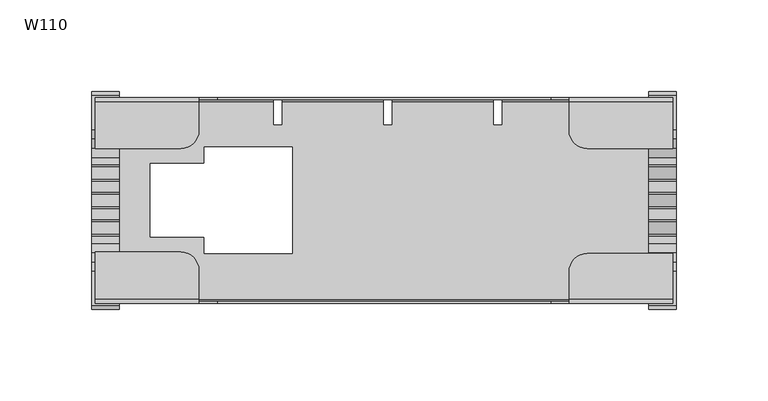
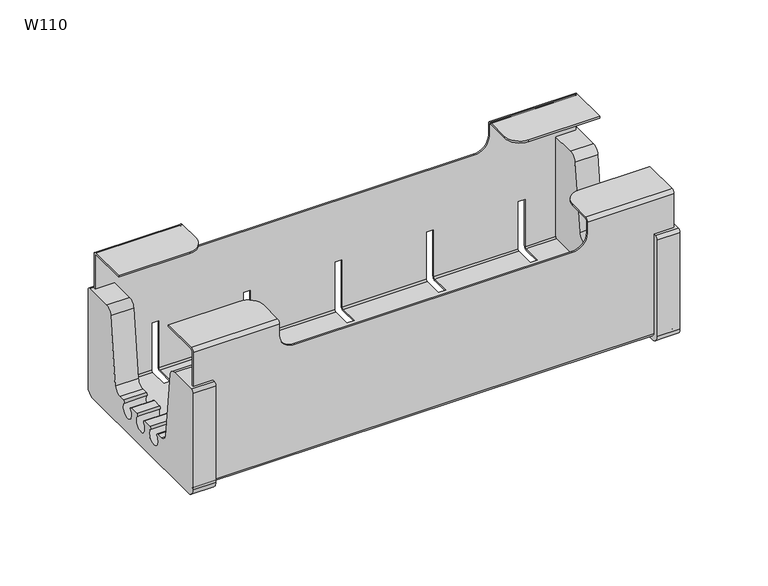
"""IFC4 building model written with IfcOpenShell, lengths in millimetres: furniture geometry, W110."""

from ifc_helpers import new_model, si_unit, point, frame, frame_2d, origin, place, context, project, spatial, polyline, circle_curve, trimmed, segment, composite_curve, outline, extrude, source, transform, mapped, element, save
from ifc_brep_helpers import plane_surface, cylinder_surface, revolved_surface, advanced_brep


def w110_b5251fee(model_context):
    return source(origin(), model_context, "Body", "SolidModel", [
        extrude(outline(composite_curve([segment(trimmed(circle_curve(frame_2d((-38.7033626, 66.0)), 5.0), [point((-38.7033626, 71.0))], [point((-33.7366705, 66.5761676))], False, "CARTESIAN"), True, "CONTINUOUS"), segment(polyline([(-33.7366705, 66.5761676), (-28.4523121, 21.0238324)]), True, "CONTINUOUS"), segment(trimmed(circle_curve(frame_2d((-23.48562, 21.6)), 5.0), [point((-28.4523121, 21.0238324))], [point((-23.48562, 16.6))], True, "CARTESIAN"), True, "CONTINUOUS"), segment(polyline([(-23.48562, 16.6), (-19.5, 16.6)]), True, "CONTINUOUS"), segment(trimmed(circle_curve(frame_2d((-19.5, 15.6)), 1.0), [point((-19.5, 16.6))], [point((-18.75, 14.9385622))], False, "CARTESIAN"), True, "CONTINUOUS"), segment(trimmed(circle_curve(frame_2d((-15.0, 11.631373)), 5.0), [point((-18.75, 14.9385622))], [point((-11.25, 14.9385622))], True, "CARTESIAN"), True, "CONTINUOUS"), segment(trimmed(circle_curve(frame_2d((-10.5, 15.6)), 1.0), [point((-11.25, 14.9385622))], [point((-10.5, 16.6))], False, "CARTESIAN"), True, "CONTINUOUS"), segment(polyline([(-10.5, 16.6), (-4.5, 16.6)]), True, "CONTINUOUS"), segment(trimmed(circle_curve(frame_2d((-4.5, 15.6)), 1.0), [point((-4.5, 16.6))], [point((-3.75, 14.9385622))], False, "CARTESIAN"), True, "CONTINUOUS"), segment(trimmed(circle_curve(frame_2d((0.0, 11.631373)), 5.0), [point((-3.75, 14.9385622))], [point((3.75, 14.9385622))], True, "CARTESIAN"), True, "CONTINUOUS"), segment(trimmed(circle_curve(frame_2d((4.5, 15.6)), 1.0), [point((3.75, 14.9385622))], [point((4.5, 16.6))], False, "CARTESIAN"), True, "CONTINUOUS"), segment(polyline([(4.5, 16.6), (10.5, 16.6)]), True, "CONTINUOUS"), segment(trimmed(circle_curve(frame_2d((10.5, 15.6)), 1.0), [point((10.5, 16.6))], [point((11.25, 14.9385622))], False, "CARTESIAN"), True, "CONTINUOUS"), segment(trimmed(circle_curve(frame_2d((15.0, 11.631373)), 5.0), [point((11.25, 14.9385622))], [point((18.75, 14.9385622))], True, "CARTESIAN"), True, "CONTINUOUS"), segment(trimmed(circle_curve(frame_2d((19.5, 15.6)), 1.0), [point((18.75, 14.9385622))], [point((19.5, 16.6))], False, "CARTESIAN"), True, "CONTINUOUS"), segment(polyline([(19.5, 16.6), (23.48562, 16.6)]), True, "CONTINUOUS"), segment(trimmed(circle_curve(frame_2d((23.48562, 21.6)), 5.0), [point((23.48562, 16.6))], [point((28.4523121, 21.0238324))], True, "CARTESIAN"), True, "CONTINUOUS"), segment(polyline([(28.4523121, 21.0238324), (33.7366705, 66.5761676)]), True, "CONTINUOUS"), segment(trimmed(circle_curve(frame_2d((38.7033626, 66.0)), 5.0), [point((33.7366705, 66.5761676))], [point((38.7033626, 71.0))], False, "CARTESIAN"), True, "CONTINUOUS"), segment(polyline([(38.7033626, 71.0), (57.45, 71.0)]), True, "CONTINUOUS"), segment(trimmed(circle_curve(frame_2d((57.45, 69.0)), 2.0), [point((57.45, 71.0))], [point((59.45, 69.0))], False, "CARTESIAN"), True, "CONTINUOUS"), segment(polyline([(59.45, 69.0), (59.45, 2.2)]), True, "CONTINUOUS"), segment(trimmed(circle_curve(frame_2d((54.05, 2.2)), 5.4), [point((59.45, 2.2))], [point((54.05, -3.2))], False, "CARTESIAN"), True, "CONTINUOUS"), segment(polyline([(54.05, -3.2), (-54.05, -3.2)]), True, "CONTINUOUS"), segment(trimmed(circle_curve(frame_2d((-54.05, 2.2)), 5.4), [point((-54.05, -3.2))], [point((-59.45, 2.2))], False, "CARTESIAN"), True, "CONTINUOUS"), segment(polyline([(-59.45, 2.2), (-59.45, 69.0)]), True, "CONTINUOUS"), segment(trimmed(circle_curve(frame_2d((-57.45, 69.0)), 2.0), [point((-59.45, 69.0))], [point((-57.45, 71.0))], False, "CARTESIAN"), True, "CONTINUOUS"), segment(polyline([(-57.45, 71.0), (-38.7033626, 71.0)]), True, "CONTINUOUS")], self_intersect=False)), frame((-159.5, 0.0, 0.0), z_axis=(1.0, 0.0, 0.0), x_axis=(0.0, 1.0, 0.0)), (0.0, 0.0, 1.0), 15.0),
        extrude(outline(composite_curve([segment(trimmed(circle_curve(frame_2d((-38.7033626, 66.0)), 5.0), [point((-38.7033626, 71.0))], [point((-33.7366705, 66.5761676))], False, "CARTESIAN"), True, "CONTINUOUS"), segment(polyline([(-33.7366705, 66.5761676), (-28.4523121, 21.0238324)]), True, "CONTINUOUS"), segment(trimmed(circle_curve(frame_2d((-23.48562, 21.6)), 5.0), [point((-28.4523121, 21.0238324))], [point((-23.48562, 16.6))], True, "CARTESIAN"), True, "CONTINUOUS"), segment(polyline([(-23.48562, 16.6), (-19.5, 16.6)]), True, "CONTINUOUS"), segment(trimmed(circle_curve(frame_2d((-19.5, 15.6)), 1.0), [point((-19.5, 16.6))], [point((-18.75, 14.9385622))], False, "CARTESIAN"), True, "CONTINUOUS"), segment(trimmed(circle_curve(frame_2d((-15.0, 11.631373)), 5.0), [point((-18.75, 14.9385622))], [point((-11.25, 14.9385622))], True, "CARTESIAN"), True, "CONTINUOUS"), segment(trimmed(circle_curve(frame_2d((-10.5, 15.6)), 1.0), [point((-11.25, 14.9385622))], [point((-10.5, 16.6))], False, "CARTESIAN"), True, "CONTINUOUS"), segment(polyline([(-10.5, 16.6), (-4.5, 16.6)]), True, "CONTINUOUS"), segment(trimmed(circle_curve(frame_2d((-4.5, 15.6)), 1.0), [point((-4.5, 16.6))], [point((-3.75, 14.9385622))], False, "CARTESIAN"), True, "CONTINUOUS"), segment(trimmed(circle_curve(frame_2d((0.0, 11.631373)), 5.0), [point((-3.75, 14.9385622))], [point((3.75, 14.9385622))], True, "CARTESIAN"), True, "CONTINUOUS"), segment(trimmed(circle_curve(frame_2d((4.5, 15.6)), 1.0), [point((3.75, 14.9385622))], [point((4.5, 16.6))], False, "CARTESIAN"), True, "CONTINUOUS"), segment(polyline([(4.5, 16.6), (10.5, 16.6)]), True, "CONTINUOUS"), segment(trimmed(circle_curve(frame_2d((10.5, 15.6)), 1.0), [point((10.5, 16.6))], [point((11.25, 14.9385622))], False, "CARTESIAN"), True, "CONTINUOUS"), segment(trimmed(circle_curve(frame_2d((15.0, 11.631373)), 5.0), [point((11.25, 14.9385622))], [point((18.75, 14.9385622))], True, "CARTESIAN"), True, "CONTINUOUS"), segment(trimmed(circle_curve(frame_2d((19.5, 15.6)), 1.0), [point((18.75, 14.9385622))], [point((19.5, 16.6))], False, "CARTESIAN"), True, "CONTINUOUS"), segment(polyline([(19.5, 16.6), (23.48562, 16.6)]), True, "CONTINUOUS"), segment(trimmed(circle_curve(frame_2d((23.48562, 21.6)), 5.0), [point((23.48562, 16.6))], [point((28.4523121, 21.0238324))], True, "CARTESIAN"), True, "CONTINUOUS"), segment(polyline([(28.4523121, 21.0238324), (33.7366705, 66.5761676)]), True, "CONTINUOUS"), segment(trimmed(circle_curve(frame_2d((38.7033626, 66.0)), 5.0), [point((33.7366705, 66.5761676))], [point((38.7033626, 71.0))], False, "CARTESIAN"), True, "CONTINUOUS"), segment(polyline([(38.7033626, 71.0), (57.45, 71.0)]), True, "CONTINUOUS"), segment(trimmed(circle_curve(frame_2d((57.45, 69.0)), 2.0), [point((57.45, 71.0))], [point((59.45, 69.0))], False, "CARTESIAN"), True, "CONTINUOUS"), segment(polyline([(59.45, 69.0), (59.45, 2.2)]), True, "CONTINUOUS"), segment(trimmed(circle_curve(frame_2d((54.05, 2.2)), 5.4), [point((59.45, 2.2))], [point((54.05, -3.2))], False, "CARTESIAN"), True, "CONTINUOUS"), segment(polyline([(54.05, -3.2), (-54.05, -3.2)]), True, "CONTINUOUS"), segment(trimmed(circle_curve(frame_2d((-54.05, 2.2)), 5.4), [point((-54.05, -3.2))], [point((-59.45, 2.2))], False, "CARTESIAN"), True, "CONTINUOUS"), segment(polyline([(-59.45, 2.2), (-59.45, 69.0)]), True, "CONTINUOUS"), segment(trimmed(circle_curve(frame_2d((-57.45, 69.0)), 2.0), [point((-59.45, 69.0))], [point((-57.45, 71.0))], False, "CARTESIAN"), True, "CONTINUOUS"), segment(polyline([(-57.45, 71.0), (-38.7033626, 71.0)]), True, "CONTINUOUS")], self_intersect=False)), frame((144.5, 0.0, 0.0), z_axis=(1.0, 0.0, 0.0), x_axis=(0.0, 1.0, 0.0)), (0.0, 0.0, 1.0), 15.0),
        advanced_brep(
        [(157.5, -54.05, 97.0), (157.5, -56.25, 94.8), (157.5, -56.25, 2.2), (157.5, -54.05, 0.0), (157.5, 54.05, 0.0), (157.5, 56.25, 2.2), (157.5, 56.25, 94.8), (157.5, 54.05, 97.0), (157.5, 28.25, 97.0), (157.5, 28.25, 95.8), (157.5, 54.05, 95.8), (157.5, 55.05, 94.8), (157.5, 55.05, 2.2), (157.5, 54.05, 1.2), (157.5, -54.05, 1.2), (157.5, -55.05, 2.2), (157.5, -55.05, 94.8), (157.5, -54.05, 95.8), (157.5, -29.0, 95.8), (157.5, -29.0, 97.0), (-157.5, -54.05, 97.0), (-157.5, -28.25, 97.0), (-157.5, -28.25, 95.8), (-157.5, -54.05, 95.8), (-157.5, -55.05, 94.8), (-157.5, -55.05, 2.2), (-157.5, -54.05, 1.2), (-157.5, 54.05, 1.2), (-157.5, 55.05, 2.2), (-157.5, 55.05, 94.8), (-157.5, 54.05, 95.8), (-157.5, 28.25, 95.8), (-157.5, 28.25, 97.0), (-157.5, 54.05, 97.0), (-157.5, 56.25, 94.8), (-157.5, 56.25, 2.2), (-157.5, 54.05, 0.0), (-157.5, -54.05, 0.0), (-157.5, -56.25, 2.2), (-157.5, -56.25, 94.8), (101.0, -54.05, 97.0), (101.0, -56.25, 94.8), (-101.0, -56.25, 94.8), (-101.0, -54.05, 97.0), (101.0, -56.25, 87.0), (91.0, -56.25, 77.0), (-91.0, -56.25, 77.0), (-101.0, -56.25, 87.0), (-120.5, 54.05, 0.0), (-120.5, 41.25, 0.0), (-115.5, 41.25, 0.0), (-115.5, 54.05, 0.0), (-60.5, 54.05, 0.0), (-60.5, 41.25, 0.0), (-55.5, 41.25, 0.0), (-55.5, 54.05, 0.0), (-0.5, 54.05, 0.0), (-0.5, 41.25, 0.0), (4.5, 41.25, 0.0), (4.5, 54.05, 0.0), (59.5, 54.05, 0.0), (59.5, 41.25, 0.0), (64.5, 41.25, 0.0), (64.5, 54.05, 0.0), (119.5, 54.05, 0.0), (119.5, 41.25, 0.0), (124.5, 41.25, 0.0), (124.5, 54.05, 0.0), (-98.0, 20.0, 0.0), (-127.5, 20.0, 0.0), (-127.5, -20.0, 0.0), (-98.0, -20.0, 0.0), (-98.0, -29.0, 0.0), (-50.0, -29.0, 0.0), (-50.0, 29.0, 0.0), (-98.0, 29.0, 0.0), (124.5, 56.25, 2.2), (-120.5, 56.25, 2.2), (-115.5, 56.25, 2.2), (-60.5, 56.25, 2.2), (-55.5, 56.25, 2.2), (-0.5, 56.25, 2.2), (4.5, 56.25, 2.2), (59.5, 56.25, 2.2), (64.5, 56.25, 2.2), (119.5, 56.25, 2.2), (124.5, 56.25, 35.0), (119.5, 56.25, 35.0), (64.5, 56.25, 35.0), (59.5, 56.25, 35.0), (4.5, 56.25, 35.0), (-0.5, 56.25, 35.0), (-55.5, 56.25, 35.0), (-60.5, 56.25, 35.0), (-115.5, 56.25, 35.0), (-120.5, 56.25, 35.0), (-101.0, 56.25, 94.8), (-101.0, 56.25, 87.0), (-91.0, 56.25, 77.0), (91.0, 56.25, 77.0), (101.0, 56.25, 87.0), (101.0, 56.25, 94.8), (101.0, 54.05, 97.0), (-101.0, 54.05, 97.0), (101.0, 38.25, 97.0), (111.0, 28.25, 97.0), (-111.0, 28.25, 97.0), (-101.0, 38.25, 97.0), (111.0, 28.25, 95.8), (-111.0, 28.25, 95.8), (101.0, 38.25, 95.8), (101.0, 54.05, 95.8), (-101.0, 54.05, 95.8), (-101.0, 38.25, 95.8), (101.0, 55.05, 94.8), (-101.0, 55.05, 94.8), (101.0, 55.05, 87.0), (91.0, 55.05, 77.0), (-91.0, 55.05, 77.0), (-101.0, 55.05, 87.0), (-120.5, 55.05, 2.2), (-120.5, 55.05, 35.0), (-115.5, 55.05, 35.0), (-115.5, 55.05, 2.2), (-60.5, 55.05, 2.2), (-60.5, 55.05, 35.0), (-55.5, 55.05, 35.0), (-55.5, 55.05, 2.2), (-0.5, 55.05, 2.2), (-0.5, 55.05, 35.0), (4.5, 55.05, 35.0), (4.5, 55.05, 2.2), (59.5, 55.05, 2.2), (59.5, 55.05, 35.0), (64.5, 55.05, 35.0), (64.5, 55.05, 2.2), (119.5, 55.05, 2.2), (119.5, 55.05, 35.0), (124.5, 55.05, 35.0), (124.5, 55.05, 2.2), (124.5, 54.05, 1.2), (-120.5, 54.05, 1.2), (-115.5, 54.05, 1.2), (-60.5, 54.05, 1.2), (-55.5, 54.05, 1.2), (-0.5, 54.05, 1.2), (4.5, 54.05, 1.2), (59.5, 54.05, 1.2), (64.5, 54.05, 1.2), (119.5, 54.05, 1.2), (124.5, 41.25, 1.2), (119.5, 41.25, 1.2), (64.5, 41.25, 1.2), (59.5, 41.25, 1.2), (4.5, 41.25, 1.2), (-0.5, 41.25, 1.2), (-55.5, 41.25, 1.2), (-60.5, 41.25, 1.2), (-115.5, 41.25, 1.2), (-120.5, 41.25, 1.2), (-127.5, 20.0, 1.2), (-98.0, 20.0, 1.2), (-98.0, 29.0, 1.2), (-50.0, 29.0, 1.2), (-50.0, -29.0, 1.2), (-98.0, -29.0, 1.2), (-98.0, -20.0, 1.2), (-127.5, -20.0, 1.2), (-101.0, -55.05, 94.8), (-101.0, -55.05, 87.0), (-91.0, -55.05, 77.0), (91.0, -55.05, 77.0), (101.0, -55.05, 87.0), (101.0, -55.05, 94.8), (101.0, -54.05, 95.8), (-101.0, -54.05, 95.8), (-111.0, -28.25, 95.8), (-101.0, -38.25, 95.8), (101.0, -39.0, 95.8), (111.0, -29.0, 95.8), (-111.0, -28.25, 97.0), (-101.0, -38.25, 97.0), (111.0, -29.0, 97.0), (101.0, -39.0, 97.0)],
        [
            (0, 1, circle_curve(frame((157.5, -54.05, 94.8), z_axis=(1.0, 0.0, 0.0), x_axis=(0.0, 1.0, 0.0)), 2.2)),
            (1, 2),
            (2, 3, circle_curve(frame((157.5, -54.05, 2.2), z_axis=(1.0, 0.0, 0.0), x_axis=(0.0, 1.0, 0.0)), 2.2)),
            (3, 4),
            (4, 5, circle_curve(frame((157.5, 54.05, 2.2), z_axis=(1.0, 0.0, 0.0), x_axis=(0.0, 1.0, 0.0)), 2.2)),
            (5, 6),
            (6, 7, circle_curve(frame((157.5, 54.05, 94.8), z_axis=(1.0, 0.0, 0.0), x_axis=(0.0, 1.0, 0.0)), 2.2)),
            (7, 8),
            (8, 9),
            (9, 10),
            (10, 11, circle_curve(frame((157.5, 54.05, 94.8), z_axis=(-1.0, 0.0, 0.0), x_axis=(0.0, 1.0, 0.0)), 1.0)),
            (11, 12),
            (12, 13, circle_curve(frame((157.5, 54.05, 2.2), z_axis=(-1.0, 0.0, 0.0), x_axis=(0.0, 1.0, 0.0)), 1.0)),
            (13, 14),
            (14, 15, circle_curve(frame((157.5, -54.05, 2.2), z_axis=(-1.0, 0.0, 0.0), x_axis=(0.0, 1.0, 0.0)), 1.0)),
            (15, 16),
            (16, 17, circle_curve(frame((157.5, -54.05, 94.8), z_axis=(-1.0, 0.0, 0.0), x_axis=(0.0, 1.0, 0.0)), 1.0)),
            (17, 18),
            (18, 19),
            (19, 0),
            (20, 21),
            (21, 22),
            (22, 23),
            (23, 24, circle_curve(frame((-157.5, -54.05, 94.8), z_axis=(1.0, 0.0, 0.0), x_axis=(0.0, 1.0, 0.0)), 1.0)),
            (24, 25),
            (25, 26, circle_curve(frame((-157.5, -54.05, 2.2), z_axis=(1.0, 0.0, 0.0), x_axis=(0.0, 1.0, 0.0)), 1.0)),
            (26, 27),
            (27, 28, circle_curve(frame((-157.5, 54.05, 2.2), z_axis=(1.0, 0.0, 0.0), x_axis=(0.0, 1.0, 0.0)), 1.0)),
            (28, 29),
            (29, 30, circle_curve(frame((-157.5, 54.05, 94.8), z_axis=(1.0, 0.0, 0.0), x_axis=(0.0, 1.0, 0.0)), 1.0)),
            (30, 31),
            (31, 32),
            (32, 33),
            (33, 34, circle_curve(frame((-157.5, 54.05, 94.8), z_axis=(-1.0, 0.0, 0.0), x_axis=(0.0, 1.0, 0.0)), 2.2)),
            (34, 35),
            (35, 36, circle_curve(frame((-157.5, 54.05, 2.2), z_axis=(-1.0, 0.0, 0.0), x_axis=(0.0, 1.0, 0.0)), 2.2)),
            (36, 37),
            (37, 38, circle_curve(frame((-157.5, -54.05, 2.2), z_axis=(-1.0, 0.0, 0.0), x_axis=(0.0, 1.0, 0.0)), 2.2)),
            (38, 39),
            (39, 20, circle_curve(frame((-157.5, -54.05, 94.8), z_axis=(-1.0, 0.0, 0.0), x_axis=(0.0, 1.0, 0.0)), 2.2)),
            (0, 40),
            (40, 41, circle_curve(frame((101.0, -54.05, 94.8), z_axis=(1.0, 0.0, 0.0), x_axis=(0.0, 1.0, 0.0)), 2.2)),
            (41, 1),
            (39, 42),
            (42, 43, circle_curve(frame((-101.0, -54.05, 94.8), z_axis=(-1.0, 0.0, 0.0), x_axis=(0.0, 1.0, 0.0)), 2.2)),
            (43, 20),
            (41, 44),
            (44, 45, circle_curve(frame((91.0, -56.25, 87.0), z_axis=(0.0, 1.0, 0.0), x_axis=(1.0, 0.0, 0.0)), 10.0)),
            (45, 46),
            (46, 47, circle_curve(frame((-91.0, -56.25, 87.0), z_axis=(0.0, 1.0, 0.0), x_axis=(1.0, 0.0, 0.0)), 10.0)),
            (47, 42),
            (38, 2),
            (37, 3),
            (36, 48),
            (48, 49),
            (49, 50),
            (50, 51),
            (51, 52),
            (52, 53),
            (53, 54),
            (54, 55),
            (55, 56),
            (56, 57),
            (57, 58),
            (58, 59),
            (59, 60),
            (60, 61),
            (61, 62),
            (62, 63),
            (63, 64),
            (64, 65),
            (65, 66),
            (66, 67),
            (67, 4),
            (68, 69),
            (69, 70),
            (70, 71),
            (71, 72),
            (72, 73),
            (73, 74),
            (74, 75),
            (75, 68),
            (67, 76, circle_curve(frame((124.5, 54.05, 2.2), z_axis=(1.0, 0.0, 0.0), x_axis=(0.0, 1.0, 0.0)), 2.2)),
            (76, 5),
            (35, 77),
            (77, 48, circle_curve(frame((-120.5, 54.05, 2.2), z_axis=(-1.0, 0.0, 0.0), x_axis=(0.0, 1.0, 0.0)), 2.2)),
            (51, 78, circle_curve(frame((-115.5, 54.05, 2.2), z_axis=(1.0, 0.0, 0.0), x_axis=(0.0, 1.0, 0.0)), 2.2)),
            (78, 79),
            (79, 52, circle_curve(frame((-60.5, 54.05, 2.2), z_axis=(-1.0, 0.0, 0.0), x_axis=(0.0, 1.0, 0.0)), 2.2)),
            (55, 80, circle_curve(frame((-55.5, 54.05, 2.2), z_axis=(1.0, 0.0, 0.0), x_axis=(0.0, 1.0, 0.0)), 2.2)),
            (80, 81),
            (81, 56, circle_curve(frame((-0.5, 54.05, 2.2), z_axis=(-1.0, 0.0, 0.0), x_axis=(0.0, 1.0, 0.0)), 2.2)),
            (59, 82, circle_curve(frame((4.5, 54.05, 2.2), z_axis=(1.0, 0.0, 0.0), x_axis=(0.0, 1.0, 0.0)), 2.2)),
            (82, 83),
            (83, 60, circle_curve(frame((59.5, 54.05, 2.2), z_axis=(-1.0, 0.0, 0.0), x_axis=(0.0, 1.0, 0.0)), 2.2)),
            (63, 84, circle_curve(frame((64.5, 54.05, 2.2), z_axis=(1.0, 0.0, 0.0), x_axis=(0.0, 1.0, 0.0)), 2.2)),
            (84, 85),
            (85, 64, circle_curve(frame((119.5, 54.05, 2.2), z_axis=(-1.0, 0.0, 0.0), x_axis=(0.0, 1.0, 0.0)), 2.2)),
            (76, 86),
            (86, 87),
            (87, 85),
            (84, 88),
            (88, 89),
            (89, 83),
            (82, 90),
            (90, 91),
            (91, 81),
            (80, 92),
            (92, 93),
            (93, 79),
            (78, 94),
            (94, 95),
            (95, 77),
            (34, 96),
            (96, 97),
            (97, 98, circle_curve(frame((-91.0, 56.25, 87.0), z_axis=(0.0, -1.0, 0.0), x_axis=(1.0, 0.0, 0.0)), 10.0)),
            (98, 99),
            (99, 100, circle_curve(frame((91.0, 56.25, 87.0), z_axis=(0.0, -1.0, 0.0), x_axis=(1.0, 0.0, 0.0)), 10.0)),
            (100, 101),
            (101, 6),
            (101, 102, circle_curve(frame((101.0, 54.05, 94.8), z_axis=(1.0, 0.0, 0.0), x_axis=(0.0, 1.0, 0.0)), 2.2)),
            (102, 7),
            (33, 103),
            (103, 96, circle_curve(frame((-101.0, 54.05, 94.8), z_axis=(-1.0, 0.0, 0.0), x_axis=(0.0, 1.0, 0.0)), 2.2)),
            (102, 104),
            (104, 105, circle_curve(frame((111.0, 38.25, 97.0), z_axis=(0.0, 0.0, 1.0), x_axis=(0.0, -1.0, 0.0)), 10.0)),
            (105, 8),
            (32, 106),
            (106, 107, circle_curve(frame((-111.0, 38.25, 97.0), z_axis=(0.0, 0.0, 1.0), x_axis=(0.0, -1.0, 0.0)), 10.0)),
            (107, 103),
            (105, 108),
            (108, 9),
            (31, 109),
            (109, 106),
            (108, 110, circle_curve(frame((111.0, 38.25, 95.8), z_axis=(0.0, 0.0, -1.0), x_axis=(0.0, -1.0, 0.0)), 10.0)),
            (110, 111),
            (111, 10),
            (30, 112),
            (112, 113),
            (113, 109, circle_curve(frame((-111.0, 38.25, 95.8), z_axis=(0.0, 0.0, -1.0), x_axis=(0.0, -1.0, 0.0)), 10.0)),
            (111, 114, circle_curve(frame((101.0, 54.05, 94.8), z_axis=(-1.0, 0.0, 0.0), x_axis=(0.0, 1.0, 0.0)), 1.0)),
            (114, 11),
            (29, 115),
            (115, 112, circle_curve(frame((-101.0, 54.05, 94.8), z_axis=(1.0, 0.0, 0.0), x_axis=(0.0, 1.0, 0.0)), 1.0)),
            (114, 116),
            (116, 117, circle_curve(frame((91.0, 55.05, 87.0), z_axis=(0.0, 1.0, 0.0), x_axis=(1.0, 0.0, 0.0)), 10.0)),
            (117, 118),
            (118, 119, circle_curve(frame((-91.0, 55.05, 87.0), z_axis=(0.0, 1.0, 0.0), x_axis=(1.0, 0.0, 0.0)), 10.0)),
            (119, 115),
            (28, 120),
            (120, 121),
            (121, 122),
            (122, 123),
            (123, 124),
            (124, 125),
            (125, 126),
            (126, 127),
            (127, 128),
            (128, 129),
            (129, 130),
            (130, 131),
            (131, 132),
            (132, 133),
            (133, 134),
            (134, 135),
            (135, 136),
            (136, 137),
            (137, 138),
            (138, 139),
            (139, 12),
            (139, 140, circle_curve(frame((124.5, 54.05, 2.2), z_axis=(-1.0, 0.0, 0.0), x_axis=(0.0, 1.0, 0.0)), 1.0)),
            (140, 13),
            (27, 141),
            (141, 120, circle_curve(frame((-120.5, 54.05, 2.2), z_axis=(1.0, 0.0, 0.0), x_axis=(0.0, 1.0, 0.0)), 1.0)),
            (123, 142, circle_curve(frame((-115.5, 54.05, 2.2), z_axis=(-1.0, 0.0, 0.0), x_axis=(0.0, 1.0, 0.0)), 1.0)),
            (142, 143),
            (143, 124, circle_curve(frame((-60.5, 54.05, 2.2), z_axis=(1.0, 0.0, 0.0), x_axis=(0.0, 1.0, 0.0)), 1.0)),
            (127, 144, circle_curve(frame((-55.5, 54.05, 2.2), z_axis=(-1.0, 0.0, 0.0), x_axis=(0.0, 1.0, 0.0)), 1.0)),
            (144, 145),
            (145, 128, circle_curve(frame((-0.5, 54.05, 2.2), z_axis=(1.0, 0.0, 0.0), x_axis=(0.0, 1.0, 0.0)), 1.0)),
            (131, 146, circle_curve(frame((4.5, 54.05, 2.2), z_axis=(-1.0, 0.0, 0.0), x_axis=(0.0, 1.0, 0.0)), 1.0)),
            (146, 147),
            (147, 132, circle_curve(frame((59.5, 54.05, 2.2), z_axis=(1.0, 0.0, 0.0), x_axis=(0.0, 1.0, 0.0)), 1.0)),
            (135, 148, circle_curve(frame((64.5, 54.05, 2.2), z_axis=(-1.0, 0.0, 0.0), x_axis=(0.0, 1.0, 0.0)), 1.0)),
            (148, 149),
            (149, 136, circle_curve(frame((119.5, 54.05, 2.2), z_axis=(1.0, 0.0, 0.0), x_axis=(0.0, 1.0, 0.0)), 1.0)),
            (140, 150),
            (150, 151),
            (151, 149),
            (148, 152),
            (152, 153),
            (153, 147),
            (146, 154),
            (154, 155),
            (155, 145),
            (144, 156),
            (156, 157),
            (157, 143),
            (142, 158),
            (158, 159),
            (159, 141),
            (26, 14),
            (160, 161),
            (161, 162),
            (162, 163),
            (163, 164),
            (164, 165),
            (165, 166),
            (166, 167),
            (167, 160),
            (25, 15),
            (24, 168),
            (168, 169),
            (169, 170, circle_curve(frame((-91.0, -55.05, 87.0), z_axis=(0.0, -1.0, 0.0), x_axis=(1.0, 0.0, 0.0)), 10.0)),
            (170, 171),
            (171, 172, circle_curve(frame((91.0, -55.05, 87.0), z_axis=(0.0, -1.0, 0.0), x_axis=(1.0, 0.0, 0.0)), 10.0)),
            (172, 173),
            (173, 16),
            (173, 174, circle_curve(frame((101.0, -54.05, 94.8), z_axis=(-1.0, 0.0, 0.0), x_axis=(0.0, 1.0, 0.0)), 1.0)),
            (174, 17),
            (23, 175),
            (175, 168, circle_curve(frame((-101.0, -54.05, 94.8), z_axis=(1.0, 0.0, 0.0), x_axis=(0.0, 1.0, 0.0)), 1.0)),
            (22, 176),
            (176, 177, circle_curve(frame((-111.0, -38.25, 95.8), z_axis=(0.0, 0.0, -1.0), x_axis=(0.0, -1.0, 0.0)), 10.0)),
            (177, 175),
            (174, 178),
            (178, 179, circle_curve(frame((111.0, -39.0, 95.8), z_axis=(0.0, 0.0, -1.0), x_axis=(0.0, -1.0, 0.0)), 10.0)),
            (179, 18),
            (21, 180),
            (180, 176),
            (43, 181),
            (181, 180, circle_curve(frame((-111.0, -38.25, 97.0), z_axis=(0.0, 0.0, 1.0), x_axis=(0.0, -1.0, 0.0)), 10.0)),
            (19, 182),
            (182, 183, circle_curve(frame((111.0, -39.0, 97.0), z_axis=(0.0, 0.0, 1.0), x_axis=(0.0, -1.0, 0.0)), 10.0)),
            (183, 40),
            (97, 119),
            (118, 98),
            (169, 47),
            (46, 170),
            (117, 99),
            (45, 171),
            (116, 100),
            (44, 172),
            (110, 104),
            (183, 178),
            (107, 113),
            (177, 181),
            (68, 161),
            (160, 69),
            (167, 70),
            (166, 71),
            (165, 72),
            (164, 73),
            (163, 74),
            (162, 75),
            (179, 182),
            (94, 122),
            (121, 95),
            (92, 126),
            (125, 93),
            (90, 130),
            (129, 91),
            (88, 134),
            (133, 89),
            (86, 138),
            (137, 87),
            (159, 49),
            (158, 50),
            (157, 53),
            (156, 54),
            (155, 57),
            (154, 58),
            (153, 61),
            (152, 62),
            (151, 65),
            (150, 66),
        ],
        [
            plane_surface(frame((157.5, -51.85, 94.8), z_axis=(1.0, 0.0, 0.0), x_axis=(0.0, 0.0, 1.0))),
            plane_surface(frame((-157.5, -51.85, 94.8), z_axis=(-1.0, 0.0, 0.0), x_axis=(0.0, 0.0, -1.0))),
            cylinder_surface(frame((-157.5, -54.05, 94.8), z_axis=(1.0, 0.0, 0.0), x_axis=(0.0, 1.0, 0.0)), 2.2),
            plane_surface(frame((157.5, -56.25, 94.8), z_axis=(0.0, -1.0, 0.0), x_axis=(-1.0, 0.0, 0.0))),
            cylinder_surface(frame((-157.5, -54.05, 2.2), z_axis=(1.0, 0.0, 0.0), x_axis=(0.0, 1.0, 0.0)), 2.2),
            plane_surface(frame((157.5, -54.05, 0.0), z_axis=(0.0, 0.0, -1.0), x_axis=(-1.0, 0.0, 0.0))),
            cylinder_surface(frame((-157.5, 54.05, 2.2), z_axis=(1.0, 0.0, 0.0), x_axis=(0.0, 1.0, 0.0)), 2.2),
            plane_surface(frame((157.5, 56.25, 2.2), z_axis=(0.0, 1.0, 0.0), x_axis=(-1.0, 0.0, 0.0))),
            cylinder_surface(frame((-157.5, 54.05, 94.8), z_axis=(1.0, 0.0, 0.0), x_axis=(0.0, 1.0, 0.0)), 2.2),
            plane_surface(frame((157.5, 54.05, 97.0), z_axis=(0.0, 0.0, 1.0), x_axis=(-1.0, 0.0, 0.0))),
            plane_surface(frame((157.5, 28.25, 97.0), z_axis=(0.0, -1.0, 0.0), x_axis=(-1.0, 0.0, 0.0))),
            plane_surface(frame((157.5, 28.25, 95.8), z_axis=(0.0, 0.0, -1.0), x_axis=(-1.0, 0.0, 0.0))),
            revolved_surface(polyline([(101.0, 55.05, 94.8), (157.5, 55.05, 94.8)]), (-157.5, 54.05, 94.8), (-1.0, 0.0, 0.0)),
            revolved_surface(polyline([(-157.5, 55.05, 94.8), (-101.0, 55.05, 94.8)]), (-157.5, 54.05, 94.8), (-1.0, 0.0, 0.0)),
            plane_surface(frame((157.5, 55.05, 94.8), z_axis=(0.0, -1.0, 0.0), x_axis=(-1.0, 0.0, 0.0))),
            revolved_surface(polyline([(124.5, 55.05, 2.2), (157.5, 55.05, 2.2)]), (-157.5, 54.05, 2.2), (-1.0, 0.0, 0.0)),
            revolved_surface(polyline([(-157.5, 55.05, 2.2), (-120.5, 55.05, 2.2)]), (-157.5, 54.05, 2.2), (-1.0, 0.0, 0.0)),
            revolved_surface(polyline([(-115.5, 55.05, 2.2), (-60.5, 55.05, 2.2)]), (-157.5, 54.05, 2.2), (-1.0, 0.0, 0.0)),
            revolved_surface(polyline([(-55.5, 55.05, 2.2), (-0.5, 55.05, 2.2)]), (-157.5, 54.05, 2.2), (-1.0, 0.0, 0.0)),
            revolved_surface(polyline([(4.5, 55.05, 2.2), (59.5, 55.05, 2.2)]), (-157.5, 54.05, 2.2), (-1.0, 0.0, 0.0)),
            revolved_surface(polyline([(64.5, 55.05, 2.2), (119.5, 55.05, 2.2)]), (-157.5, 54.05, 2.2), (-1.0, 0.0, 0.0)),
            plane_surface(frame((157.5, 54.05, 1.2), z_axis=(0.0, 0.0, 1.0), x_axis=(-1.0, 0.0, 0.0))),
            revolved_surface(polyline([(-157.5, -53.05, 2.2), (157.5, -53.05, 2.2)]), (-157.5, -54.05, 2.2), (-1.0, 0.0, 0.0)),
            plane_surface(frame((157.5, -55.05, 2.2), z_axis=(0.0, 1.0, 0.0), x_axis=(-1.0, 0.0, 0.0))),
            revolved_surface(polyline([(101.0, -53.05, 94.8), (157.5, -53.05, 94.8)]), (-157.5, -54.05, 94.8), (-1.0, 0.0, 0.0)),
            revolved_surface(polyline([(-157.5, -53.05, 94.8), (-101.0, -53.05, 94.8)]), (-157.5, -54.05, 94.8), (-1.0, 0.0, 0.0)),
            plane_surface(frame((157.5, -54.05, 95.8), z_axis=(0.0, 0.0, -1.0), x_axis=(-1.0, 0.0, 0.0))),
            plane_surface(frame((157.5, -28.25, 95.8), z_axis=(0.0, 1.0, 0.0), x_axis=(-1.0, 0.0, 0.0))),
            plane_surface(frame((157.5, -28.25, 97.0), z_axis=(0.0, 0.0, 1.0), x_axis=(-1.0, 0.0, 0.0))),
            revolved_surface(polyline([(-81.0, 55.05, 87.0), (-81.0, 56.25, 87.0)]), (-91.0, 56.25, 87.0), (0.0, -1.0, 0.0)),
            revolved_surface(polyline([(-81.0, -56.25, 87.0), (-81.0, -55.05, 87.0)]), (-91.0, 56.25, 87.0), (0.0, -1.0, 0.0)),
            plane_surface(frame((-91.0, -56.25, 77.0), z_axis=(0.0, 0.0, 1.0), x_axis=(0.0, 1.0, 0.0))),
            revolved_surface(polyline([(101.0, 55.05, 87.0), (101.0, 56.25, 87.0)]), (91.0, 56.25, 87.0), (0.0, -1.0, 0.0)),
            revolved_surface(polyline([(101.0, -56.25, 87.0), (101.0, -55.05, 87.0)]), (91.0, 56.25, 87.0), (0.0, -1.0, 0.0)),
            plane_surface(frame((101.0, -56.25, 87.0), z_axis=(-1.0, 0.0, 0.0), x_axis=(0.0, 1.0, 0.0))),
            plane_surface(frame((-101.0, -56.25, 97.0), z_axis=(1.0, 0.0, 0.0), x_axis=(0.0, 1.0, 0.0))),
            plane_surface(frame((-98.0, 20.0, 1.2), z_axis=(0.0, -1.0, 0.0), x_axis=(0.0, 0.0, -1.0))),
            plane_surface(frame((-127.5, 20.0, 1.2), z_axis=(1.0, 0.0, 0.0), x_axis=(0.0, 0.0, -1.0))),
            plane_surface(frame((-127.5, -20.0, 1.2), z_axis=(0.0, 1.0, 0.0), x_axis=(0.0, 0.0, -1.0))),
            plane_surface(frame((-98.0, -20.0, 1.2), z_axis=(1.0, 0.0, 0.0), x_axis=(0.0, 0.0, -1.0))),
            plane_surface(frame((-98.0, -29.0, 1.2), z_axis=(0.0, 1.0, 0.0), x_axis=(0.0, 0.0, -1.0))),
            plane_surface(frame((-50.0, -29.0, 1.2), z_axis=(-1.0, 0.0, 0.0), x_axis=(0.0, 0.0, -1.0))),
            plane_surface(frame((-50.0, 29.0, 1.2), z_axis=(0.0, -1.0, 0.0), x_axis=(0.0, 0.0, -1.0))),
            plane_surface(frame((-98.0, 29.0, 1.2), z_axis=(1.0, 0.0, 0.0), x_axis=(0.0, 0.0, -1.0))),
            plane_surface(frame((111.0, -29.0, 115.0), z_axis=(0.0, 1.0, 0.0), x_axis=(0.0, 0.0, -1.0))),
            cylinder_surface(frame((-111.0, -38.25, 87.0), z_axis=(0.0, 0.0, -1.0), x_axis=(0.0, -1.0, 0.0)), 10.0),
            cylinder_surface(frame((111.0, -39.0, 87.0), z_axis=(0.0, 0.0, -1.0), x_axis=(0.0, -1.0, 0.0)), 10.0),
            cylinder_surface(frame((111.0, 38.25, 87.0), z_axis=(0.0, 0.0, -1.0), x_axis=(0.0, -1.0, 0.0)), 10.0),
            cylinder_surface(frame((-111.0, 38.25, 87.0), z_axis=(0.0, 0.0, -1.0), x_axis=(0.0, -1.0, 0.0)), 10.0),
            plane_surface(frame((-120.5, 56.25, 35.0), z_axis=(0.0, 0.0, -1.0), x_axis=(-1.0, 0.0, 0.0))),
            plane_surface(frame((-120.5, 56.25, 35.0), z_axis=(1.0, 0.0, 0.0), x_axis=(0.0, 0.0, -1.0))),
            plane_surface(frame((-120.5, 41.25, 35.0), z_axis=(0.0, 1.0, 0.0), x_axis=(0.0, 0.0, -1.0))),
            plane_surface(frame((-115.5, 41.25, 35.0), z_axis=(-1.0, 0.0, 0.0), x_axis=(0.0, 0.0, -1.0))),
            plane_surface(frame((-60.5, 56.25, 35.0), z_axis=(1.0, 0.0, 0.0), x_axis=(0.0, 0.0, -1.0))),
            plane_surface(frame((-60.5, 41.25, 35.0), z_axis=(0.0, 1.0, 0.0), x_axis=(0.0, 0.0, -1.0))),
            plane_surface(frame((-55.5, 41.25, 35.0), z_axis=(-1.0, 0.0, 0.0), x_axis=(0.0, 0.0, -1.0))),
            plane_surface(frame((-0.5, 56.25, 35.0), z_axis=(1.0, 0.0, 0.0), x_axis=(0.0, 0.0, -1.0))),
            plane_surface(frame((-0.5, 41.25, 35.0), z_axis=(0.0, 1.0, 0.0), x_axis=(0.0, 0.0, -1.0))),
            plane_surface(frame((4.5, 41.25, 35.0), z_axis=(-1.0, 0.0, 0.0), x_axis=(0.0, 0.0, -1.0))),
            plane_surface(frame((59.5, 56.25, 35.0), z_axis=(1.0, 0.0, 0.0), x_axis=(0.0, 0.0, -1.0))),
            plane_surface(frame((59.5, 41.25, 35.0), z_axis=(0.0, 1.0, 0.0), x_axis=(0.0, 0.0, -1.0))),
            plane_surface(frame((64.5, 41.25, 35.0), z_axis=(-1.0, 0.0, 0.0), x_axis=(0.0, 0.0, -1.0))),
            plane_surface(frame((119.5, 56.25, 35.0), z_axis=(1.0, 0.0, 0.0), x_axis=(0.0, 0.0, -1.0))),
            plane_surface(frame((119.5, 41.25, 35.0), z_axis=(0.0, 1.0, 0.0), x_axis=(0.0, 0.0, -1.0))),
            plane_surface(frame((124.5, 41.25, 35.0), z_axis=(-1.0, 0.0, 0.0), x_axis=(0.0, 0.0, -1.0))),
        ],
        [
            (0, [[1, 2, 3, 4, 5, 6, 7, 8, 9, 10, 11, 12, 13, 14, 15, 16, 17, 18, 19, 20]]),
            (1, [[21, 22, 23, 24, 25, 26, 27, 28, 29, 30, 31, 32, 33, 34, 35, 36, 37, 38, 39, 40]]),
            (2, [[-1, 41, 42, 43]]),
            (2, [[-40, 44, 45, 46]]),
            (3, [[-2, -43, 47, 48, 49, 50, 51, -44, -39, 52]]),
            (4, [[-3, -52, -38, 53]]),
            (5, [[-4, -53, -37, 54, 55, 56, 57, 58, 59, 60, 61, 62, 63, 64, 65, 66, 67, 68, 69, 70, 71, 72, 73, 74], [75, 76, 77, 78, 79, 80, 81, 82]]),
            (6, [[-5, -74, 83, 84]]),
            (6, [[-36, 85, 86, -54]]),
            (6, [[-58, 87, 88, 89]]),
            (6, [[-62, 90, 91, 92]]),
            (6, [[-66, 93, 94, 95]]),
            (6, [[-70, 96, 97, 98]]),
            (7, [[-6, -84, 99, 100, 101, -97, 102, 103, 104, -94, 105, 106, 107, -91, 108, 109, 110, -88, 111, 112, 113, -85, -35, 114, 115, 116, 117, 118, 119, 120]]),
            (8, [[-7, -120, 121, 122]]),
            (8, [[-34, 123, 124, -114]]),
            (9, [[-8, -122, 125, 126, 127]]),
            (9, [[-33, 128, 129, 130, -123]]),
            (10, [[-9, -127, 131, 132]]),
            (10, [[-32, 133, 134, -128]]),
            (11, [[-10, -132, 135, 136, 137]]),
            (11, [[-31, 138, 139, 140, -133]]),
            (12, [[-11, -137, 141, 142]]),
            (13, [[-30, 143, 144, -138]]),
            (14, [[-12, -142, 145, 146, 147, 148, 149, -143, -29, 150, 151, 152, 153, 154, 155, 156, 157, 158, 159, 160, 161, 162, 163, 164, 165, 166, 167, 168, 169, 170]]),
            (15, [[-13, -170, 171, 172]]),
            (16, [[-28, 173, 174, -150]]),
            (17, [[-154, 175, 176, 177]]),
            (18, [[-158, 178, 179, 180]]),
            (19, [[-162, 181, 182, 183]]),
            (20, [[-166, 184, 185, 186]]),
            (21, [[-14, -172, 187, 188, 189, -185, 190, 191, 192, -182, 193, 194, 195, -179, 196, 197, 198, -176, 199, 200, 201, -173, -27, 202], [203, 204, 205, 206, 207, 208, 209, 210]]),
            (22, [[-15, -202, -26, 211]]),
            (23, [[-16, -211, -25, 212, 213, 214, 215, 216, 217, 218]]),
            (24, [[-17, -218, 219, 220]]),
            (25, [[-24, 221, 222, -212]]),
            (26, [[-23, 223, 224, 225, -221]]),
            (26, [[-220, 226, 227, 228, -18]]),
            (27, [[-22, 229, 230, -223]]),
            (28, [[-21, -46, 231, 232, -229]]),
            (28, [[-41, -20, 233, 234, 235]]),
            (29, [[236, -148, 237, -116]]),
            (30, [[238, -50, 239, -214]]),
            (31, [[-237, -147, 240, -117]]),
            (31, [[-239, -49, 241, -215]]),
            (32, [[-240, -146, 242, -118]]),
            (33, [[-241, -48, 243, -216]]),
            (34, [[-242, -145, -141, -136, 244, -125, -121, -119]]),
            (34, [[-243, -47, -42, -235, 245, -226, -219, -217]]),
            (35, [[-236, -115, -124, -130, 246, -139, -144, -149]]),
            (35, [[-238, -213, -222, -225, 247, -231, -45, -51]]),
            (36, [[248, -203, 249, -75]]),
            (37, [[-249, -210, 250, -76]]),
            (38, [[-250, -209, 251, -77]]),
            (39, [[-251, -208, 252, -78]]),
            (40, [[-252, -207, 253, -79]]),
            (41, [[-253, -206, 254, -80]]),
            (42, [[-254, -205, 255, -81]]),
            (43, [[-248, -82, -255, -204]]),
            (44, [[256, -233, -19, -228]]),
            (45, [[-224, -230, -232, -247]]),
            (46, [[-256, -227, -245, -234]]),
            (47, [[-126, -244, -135, -131]]),
            (48, [[-129, -134, -140, -246]]),
            (49, [[257, -152, 258, -112]]),
            (49, [[259, -156, 260, -109]]),
            (49, [[261, -160, 262, -106]]),
            (49, [[263, -164, 264, -103]]),
            (49, [[265, -168, 266, -100]]),
            (50, [[-258, -151, -174, -201, 267, -55, -86, -113]]),
            (51, [[-267, -200, 268, -56]]),
            (52, [[-257, -111, -87, -57, -268, -199, -175, -153]]),
            (53, [[-260, -155, -177, -198, 269, -59, -89, -110]]),
            (54, [[-269, -197, 270, -60]]),
            (55, [[-259, -108, -90, -61, -270, -196, -178, -157]]),
            (56, [[-262, -159, -180, -195, 271, -63, -92, -107]]),
            (57, [[-271, -194, 272, -64]]),
            (58, [[-261, -105, -93, -65, -272, -193, -181, -161]]),
            (59, [[-264, -163, -183, -192, 273, -67, -95, -104]]),
            (60, [[-273, -191, 274, -68]]),
            (61, [[-263, -102, -96, -69, -274, -190, -184, -165]]),
            (62, [[-266, -167, -186, -189, 275, -71, -98, -101]]),
            (63, [[-275, -188, 276, -72]]),
            (64, [[-265, -99, -83, -73, -276, -187, -171, -169]]),
        ],
    ),
    ])


if __name__ == "__main__":
    model = new_model("IFC4")
    model_context = context("Model", 3, world=origin())
    ifc_project = project(units=[si_unit("LENGTHUNIT", "METRE", prefix="MILLI")], contexts=[model_context])
    site = spatial("IfcSite", under=ifc_project)
    building = spatial("IfcBuilding", under=site)
    placement = place(None, origin())
    w110_shape = w110_b5251fee(model_context)
    element("IfcFurniture", 1, ObjectType="W110", at=placement, inside=building, context=model_context, shape_type="MappedRepresentation", body=[
        mapped(w110_shape, transform((0.0, 0.0, 0.0), x_axis=(1.0, 0.0, 0.0), y_axis=(0.0, 1.0, 0.0), z_axis=(0.0, 0.0, 1.0))),
    ])
    save(model, "model.ifc")
